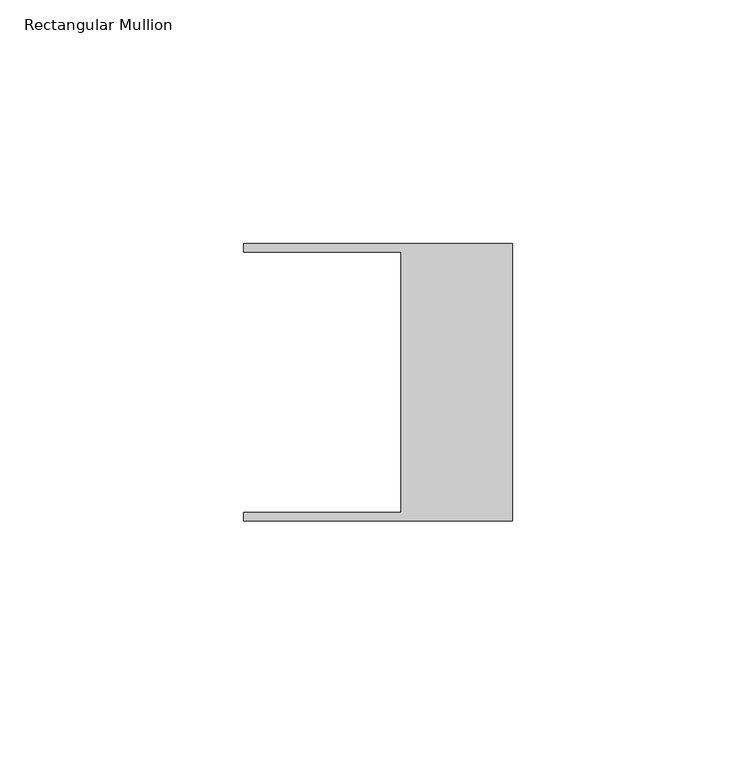
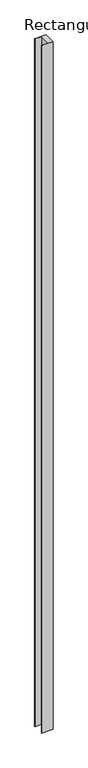
"""IFC4 building model written with IfcOpenShell, lengths in millimetres: member geometry, Rectangular Mullion."""

import ifcopenshell
import ifcopenshell.guid

model = None  # the IFC model being written
_history = None  # IfcOwnerHistory: only IFC2X3 demands one
_inside = {}  # id of a spatial element -> (the spatial element, [elements in it])
_under = {}  # id of a project, library or spatial element -> (it, [spatial elements below it])
_declared = {}  # id of a project -> (the project, [libraries it declares])
_typed = {}  # id of a type object -> (the type object, [elements of that type])
_made_of = {}  # id of a material, layer set ... -> (it, [elements and type objects made of it])


def new_model(schema):
    """Start an empty IFC model of exactly this schema.

    Asked for "IFC4X3", IfcOpenShell would pick the latest addendum, in which some entities
    have other attributes; the version numbers below select the first issue.
    IFC2X3 requires an IfcOwnerHistory on every rooted entity: one is made here for all.
    """
    global model, _history
    if schema == "IFC4X3":
        model = ifcopenshell.file(schema_version=(4, 3, 0, 0))
    else:
        model = ifcopenshell.file(schema=schema)
    _inside.clear()
    _under.clear()
    _declared.clear()
    _typed.clear()
    _made_of.clear()
    _history = None
    if model.schema == "IFC2X3":
        org = make("IfcOrganization", Name="unknown")
        user = make(
            "IfcPersonAndOrganization",
            ThePerson=make("IfcPerson", FamilyName="unknown"),
            TheOrganization=org,
        )
        app = make(
            "IfcApplication",
            ApplicationDeveloper=org,
            Version="unknown",
            ApplicationFullName="unknown",
            ApplicationIdentifier="unknown",
        )
        _history = make(
            "IfcOwnerHistory",
            OwningUser=user,
            OwningApplication=app,
            ChangeAction="ADDED",
            CreationDate=0,
        )
    return model


def make(cls, **values):
    """One entity of the class cls with the attributes given. An attribute that is None is left unset."""
    return model.create_entity(
        cls, **{name: value for name, value in values.items() if value is not None}
    )


def rooted(cls, **values):
    """An entity with a GlobalId (a new one), such as an element, a storey or a relation."""
    return make(cls, GlobalId=ifcopenshell.guid.new(), OwnerHistory=_history, **values)


def si_unit(unit_type, name, prefix=None):
    """IfcSIUnit, for example si_unit("LENGTHUNIT", "METRE", prefix="MILLI")."""
    return make("IfcSIUnit", UnitType=unit_type, Prefix=prefix, Name=name)


def assignment(units):
    """IfcUnitAssignment: the units of a project."""
    return None if units is None else make("IfcUnitAssignment", Units=units)


def point(xyz):
    """IfcCartesianPoint."""
    return None if xyz is None else make("IfcCartesianPoint", Coordinates=xyz)


def direction(xyz):
    """IfcDirection."""
    return None if xyz is None else make("IfcDirection", DirectionRatios=xyz)


def frame(location, z_axis=None, x_axis=None):
    """IfcAxis2Placement3D, a coordinate frame: its origin and axes. An axis left out is left unset."""
    return make(
        "IfcAxis2Placement3D",
        Location=point(location),
        Axis=direction(z_axis),
        RefDirection=direction(x_axis),
    )


def origin():
    """The frame at (0, 0, 0) with its axes left unset."""
    return frame((0.0, 0.0, 0.0))


def place(relative_to, where):
    """IfcLocalPlacement: puts the frame where relative to a parent placement (None: the world)."""
    return make(
        "IfcLocalPlacement", PlacementRelTo=relative_to, RelativePlacement=where
    )


def context(
    kind, dimensions, precision=None, world=None, true_north=None, identifier=None
):
    """IfcGeometricRepresentationContext, for example the 3D "Model" context."""
    return make(
        "IfcGeometricRepresentationContext",
        ContextIdentifier=identifier,
        ContextType=kind,
        CoordinateSpaceDimension=dimensions,
        Precision=precision,
        WorldCoordinateSystem=world,
        TrueNorth=true_north,
    )


def project(units=None, contexts=None):
    """IfcProject with its units and contexts."""
    return rooted(
        "IfcProject",
        Name="project",
        RepresentationContexts=contexts,
        UnitsInContext=assignment(units),
    )


def spatial(cls, under=None, at=None, **own):
    """A site, building, storey or space (cls), placed at a placement, below another one or the project."""
    s = rooted(cls, ObjectPlacement=at, **own)
    if under is not None:
        _under.setdefault(under.id(), (under, []))[1].append(s)
    return s


def polyline(points):
    """IfcPolyline through the points."""
    return make("IfcPolyline", Points=[point(p) for p in points])


def outline(outer, holes=None, kind="AREA"):
    """IfcArbitraryClosedProfileDef: a profile drawn as a closed curve; with holes, ...WithVoids."""
    if holes is None:
        return make("IfcArbitraryClosedProfileDef", ProfileType=kind, OuterCurve=outer)
    return make(
        "IfcArbitraryProfileDefWithVoids",
        ProfileType=kind,
        OuterCurve=outer,
        InnerCurves=holes,
    )


def extrude(swept, where, along, depth):
    """IfcExtrudedAreaSolid: the profile swept, set in the frame where, extruded along a direction by depth."""
    return make(
        "IfcExtrudedAreaSolid",
        SweptArea=swept,
        Position=where,
        ExtrudedDirection=direction(along),
        Depth=depth,
    )


def shape(context_of_items, identifier, shape_type, items):
    """IfcShapeRepresentation: the items that make up one representation, for example the "Body"."""
    return make(
        "IfcShapeRepresentation",
        ContextOfItems=context_of_items,
        RepresentationIdentifier=identifier,
        RepresentationType=shape_type,
        Items=items,
    )


def source(mapping_origin, context_of_items, identifier, shape_type, items):
    """IfcRepresentationMap: a shape defined once, which mapped items show again and again."""
    return make(
        "IfcRepresentationMap",
        MappingOrigin=mapping_origin,
        MappedRepresentation=shape(context_of_items, identifier, shape_type, items),
    )


def transform(
    local_origin,
    x_axis=None,
    y_axis=None,
    z_axis=None,
    scale=None,
    scale2=None,
    scale3=None,
    uniform=True,
):
    """IfcCartesianTransformationOperator3D, or its non-uniform kind. x_axis, y_axis, z_axis: its Axis1, 2, 3."""
    if uniform:
        return make(
            "IfcCartesianTransformationOperator3D",
            Axis1=direction(x_axis),
            Axis2=direction(y_axis),
            LocalOrigin=point(local_origin),
            Scale=scale,
            Axis3=direction(z_axis),
        )
    return make(
        "IfcCartesianTransformationOperator3DnonUniform",
        Axis1=direction(x_axis),
        Axis2=direction(y_axis),
        LocalOrigin=point(local_origin),
        Scale=scale,
        Axis3=direction(z_axis),
        Scale2=scale2,
        Scale3=scale3,
    )


def mapped(mapping_source, mapping_target):
    """IfcMappedItem: shows the shape of a source again, moved by a transform."""
    return make(
        "IfcMappedItem", MappingSource=mapping_source, MappingTarget=mapping_target
    )


def made_of(thing, what):
    """Note that an element or type object is made of a material, layer set ...; save() writes the relation."""
    if what is not None:
        _made_of.setdefault(what.id(), (what, []))[1].append(thing)
    return thing


def element(
    cls,
    number,
    at=None,
    inside=None,
    cuts=None,
    type_object=None,
    material=None,
    context=None,
    identifier="Body",
    shape_type=None,
    held_by="IfcProductDefinitionShape",
    body=None,
    shapes=None,
    **own,
):
    """One element of the class cls, such as IfcWall. Its Tag is "e" and its number.

    at: its placement. inside: the storey or other place that contains it. cuts: it is an
    opening in that element (IfcRelVoidsElement). A single representation is given by context,
    identifier, shape_type and body (its items); several are given by shapes. held_by: the class
    of the entity that holds the representations. save() writes the other relations.
    """
    e = rooted(cls, Tag="e%d" % number, ObjectPlacement=at, **own)
    if body is not None:
        shapes = [shape(context, identifier, shape_type, body)]
    if shapes is not None:
        e.Representation = make(held_by, Representations=shapes)
    if inside is not None:
        _inside.setdefault(inside.id(), (inside, []))[1].append(e)
    if cuts is not None:
        rooted(
            "IfcRelVoidsElement", RelatingBuildingElement=cuts, RelatedOpeningElement=e
        )
    if type_object is not None:
        _typed.setdefault(type_object.id(), (type_object, []))[1].append(e)
    return made_of(e, material)


def aggregate(whole, parts):
    """IfcRelAggregates: a whole, such as a stair, and the parts it consists of."""
    return rooted("IfcRelAggregates", RelatingObject=whole, RelatedObjects=parts)


def save(model, path):
    """Write the relations noted so far, then the file.

    IfcRelAggregates (storeys below a building ...), IfcRelContainedInSpatialStructure (elements
    in a storey), IfcRelDefinesByType, IfcRelAssociatesMaterial and IfcRelDeclares: one each for
    every whole, place, type object, material and project.
    """
    for whole, parts in _under.values():
        aggregate(whole, parts)
    for where, things in _inside.values():
        rooted(
            "IfcRelContainedInSpatialStructure",
            RelatedElements=things,
            RelatingStructure=where,
        )
    for kind, things in _typed.values():
        rooted("IfcRelDefinesByType", RelatedObjects=things, RelatingType=kind)
    for what, things in _made_of.values():
        rooted("IfcRelAssociatesMaterial", RelatedObjects=things, RelatingMaterial=what)
    for by, libraries in _declared.values():
        rooted("IfcRelDeclares", RelatingContext=by, RelatedDefinitions=libraries)
    model.write(path)


def rectangular_mullion_e1255de7(model_context):
    return source(origin(), model_context, "Body", "SweptSolid", [
        extrude(outline(polyline([(-55.118, 26.67), (-55.118, 28.448), (0.0, 28.448), (0.0, -28.448), (-55.118, -28.448), (-55.118, -26.67), (-22.86, -26.67), (-22.86, 26.67), (-55.118, 26.67)])), frame((0.0, 0.0, -3500.4375904), z_axis=(0.0, 0.0, 1.0), x_axis=(1.0, 0.0, 0.0)), (0.0, 0.0, 1.0), 3500.4375904),
    ])


if __name__ == "__main__":
    model = new_model("IFC4")
    model_context = context("Model", 3, world=origin())
    ifc_project = project(units=[si_unit("LENGTHUNIT", "METRE", prefix="MILLI")], contexts=[model_context])
    site = spatial("IfcSite", under=ifc_project)
    building = spatial("IfcBuilding", under=site)
    placement = place(None, origin())
    rectangular_mullion_shape = rectangular_mullion_e1255de7(model_context)
    element("IfcMember", 1, ObjectType="Rectangular Mullion", at=placement, inside=building, context=model_context, shape_type="MappedRepresentation", body=[
        mapped(rectangular_mullion_shape, transform((0.0, 0.0, 0.0), x_axis=(1.0, 0.0, 0.0), y_axis=(0.0, 1.0, 0.0), z_axis=(0.0, 0.0, 1.0))),
    ])
    save(model, "model.ifc")
